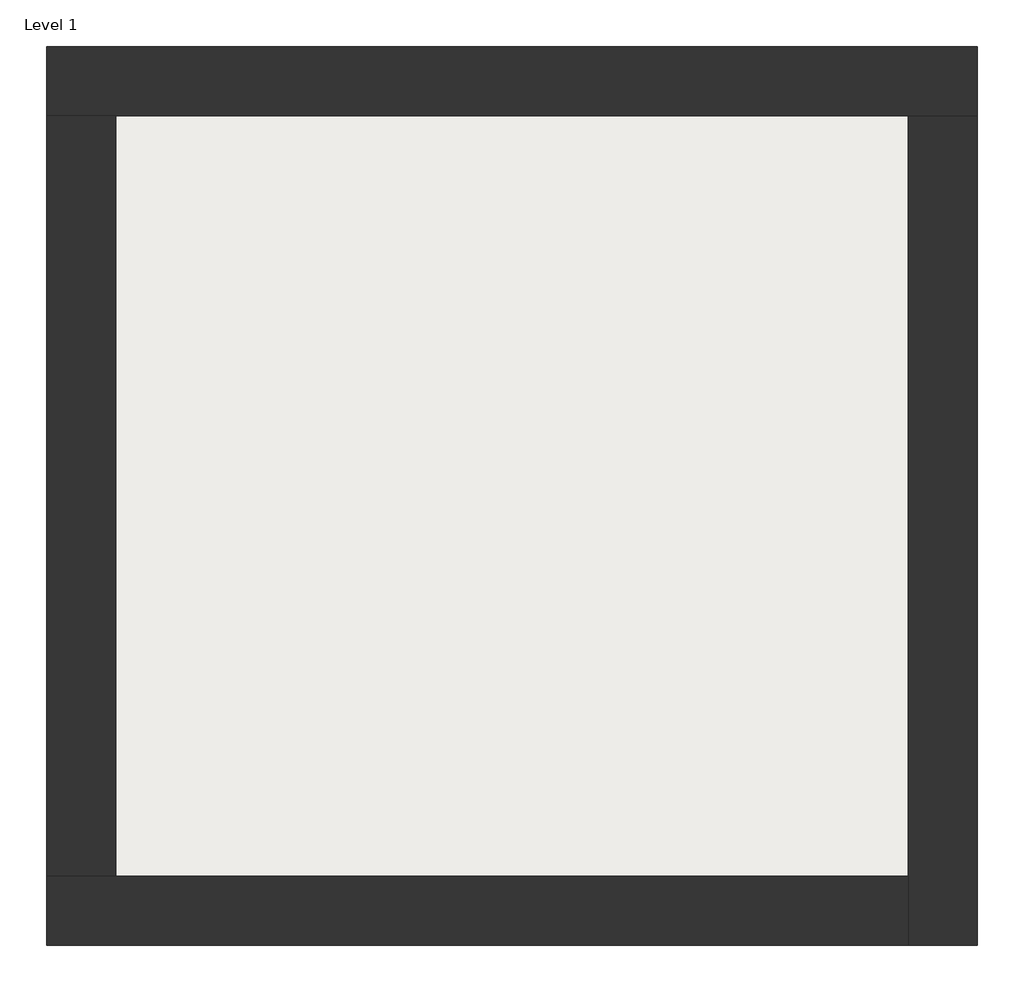
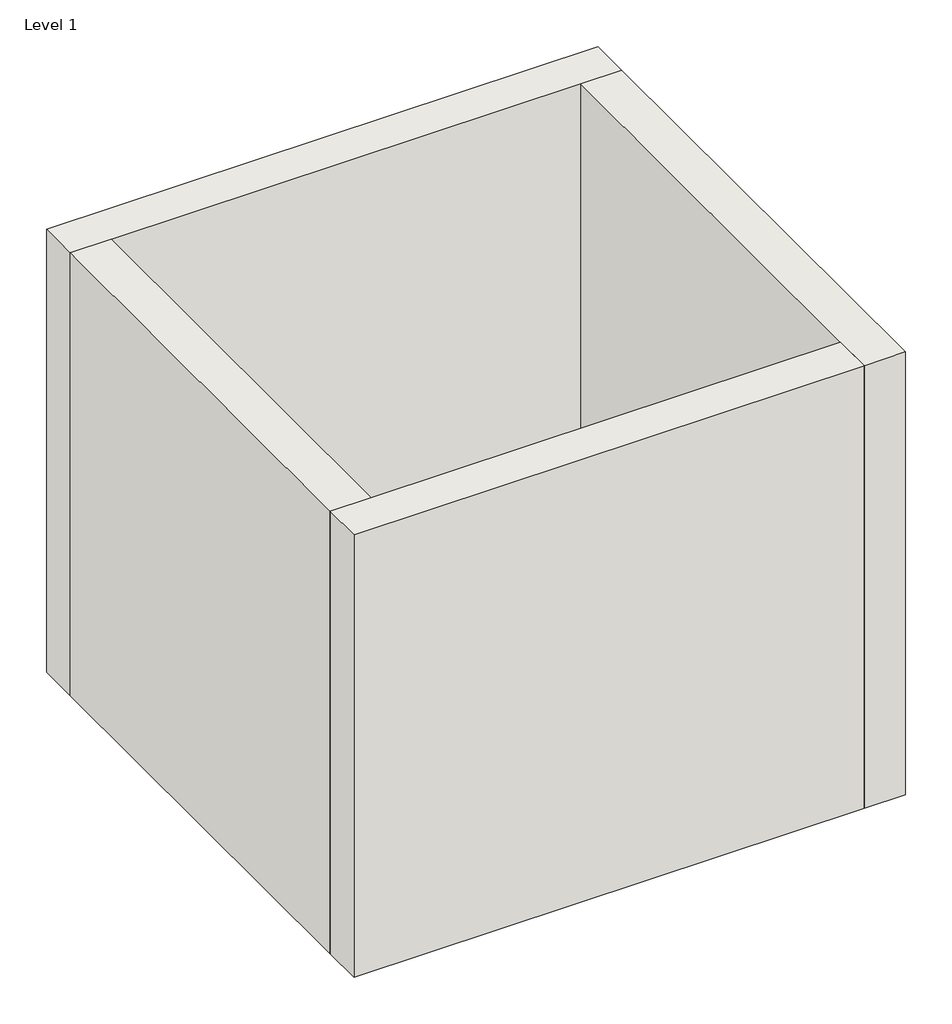
# One storey: 4 walls, 1 slab.
"""IFC4 building model written with IfcOpenShell, lengths in millimetres."""

from ifc_helpers import new_model, si_unit, frame, origin, origin_with_axes, place, context, project, spatial, polyline, outline, extrude, faceted_brep, element, save

model = new_model("IFC4")

# Units and contexts
model_context = context("Model", 3, world=origin())
ifc_project = project(units=[si_unit("LENGTHUNIT", "METRE", prefix="MILLI")], contexts=[model_context])

# Site, building, storey
site = spatial("IfcSite", under=ifc_project)
building = spatial("IfcBuilding", under=site)
storey = spatial("IfcBuildingStorey", under=building, Name="Level 1", Elevation=0.0)

# Slab
placement = place(None, origin())
element("IfcSlab", 1, at=placement, inside=storey, context=model_context, shape_type="SweptSolid", body=[
    extrude(outline(polyline([(-10869.3573003, 6934.2750283), (-10869.3573003, 3058.2750283), (-14907.8573003, 3058.2750283), (-14907.8573003, 6934.2750283), (-10869.3573003, 6934.2750283)])), frame((0.0, 0.0, 5.0), z_axis=(0.0, 0.0, 1.0), x_axis=(1.0, 0.0, 0.0)), (0.0, 0.0, 1.0), 55.0),
])

# Walls
element("IfcWall", 2, ObjectType="Exterior - Brick on Mtl. Stud", at=placement, inside=storey, context=model_context, shape_type="Brep", body=[
    faceted_brep([(-15244.8573003, 6921.2750283, 0.0), (-14894.8573003, 6921.2750283, 0.0), (-10882.3573003, 6921.2750283, 0.0), (-10532.3573003, 6921.2750283, 0.0), (-10532.3573003, 6921.2750283, 4000.0), (-10882.3573003, 6921.2750283, 4000.0), (-14894.8573003, 6921.2750283, 4000.0), (-15244.8573003, 6921.2750283, 4000.0), (-15244.8573003, 7271.2750283, 0.0), (-15244.8573003, 7271.2750283, 4000.0), (-10532.3573003, 7271.2750283, 4000.0), (-10532.3573003, 7271.2750283, 0.0)], [[[0, 1, 2, 3, 4, 5, 6, 7]], [[8, 9, 10, 11]], [[3, 2, 1, 0, 8, 11]], [[7, 6, 5, 4, 10, 9]], [[0, 7, 9, 8]], [[4, 3, 11, 10]]]),
])
element("IfcWall", 3, ObjectType="Exterior - Brick on Mtl. Stud", at=placement, inside=storey, context=model_context, shape_type="Brep", body=[
    faceted_brep([(-10882.3573003, 6921.2750283, 0.0), (-10882.3573003, 3071.2750283, 0.0), (-10882.3573003, 2721.2750283, 0.0), (-10882.3573003, 2721.2750283, 4000.0), (-10882.3573003, 3071.2750283, 4000.0), (-10882.3573003, 6921.2750283, 4000.0), (-10532.3573003, 6921.2750283, 0.0), (-10532.3573003, 6921.2750283, 4000.0), (-10532.3573003, 2721.2750283, 4000.0), (-10532.3573003, 2721.2750283, 0.0)], [[[0, 1, 2, 3, 4, 5]], [[6, 7, 8, 9]], [[2, 1, 0, 6, 9]], [[5, 4, 3, 8, 7]], [[3, 2, 9, 8]], [[0, 5, 7, 6]]]),
])
element("IfcWall", 4, ObjectType="Exterior - Brick on Mtl. Stud", at=placement, inside=storey, context=model_context, shape_type="Brep", body=[
    faceted_brep([(-10882.3573003, 3071.2750283, 0.0), (-14894.8573003, 3071.2750283, 0.0), (-15244.8573003, 3071.2750283, 0.0), (-15244.8573003, 3071.2750283, 4000.0), (-14894.8573003, 3071.2750283, 4000.0), (-10882.3573003, 3071.2750283, 4000.0), (-10882.3573003, 2721.2750283, 0.0), (-10882.3573003, 2721.2750283, 4000.0), (-15244.8573003, 2721.2750283, 4000.0), (-15244.8573003, 2721.2750283, 0.0)], [[[0, 1, 2, 3, 4, 5]], [[6, 7, 8, 9]], [[2, 1, 0, 6, 9]], [[5, 4, 3, 8, 7]], [[3, 2, 9, 8]], [[0, 5, 7, 6]]]),
])
element("IfcWall", 5, ObjectType="Exterior - Brick on Mtl. Stud", at=placement, inside=storey, context=model_context, shape_type="SweptSolid", body=[
    extrude(outline(polyline([(-14894.8573003, 6921.2750283), (-14894.8573003, 3071.2750283), (-15244.8573003, 3071.2750283), (-15244.8573003, 6921.2750283), (-14894.8573003, 6921.2750283)])), origin_with_axes(), (0.0, 0.0, 1.0), 4000.0),
])

save(model, "model.ifc")
